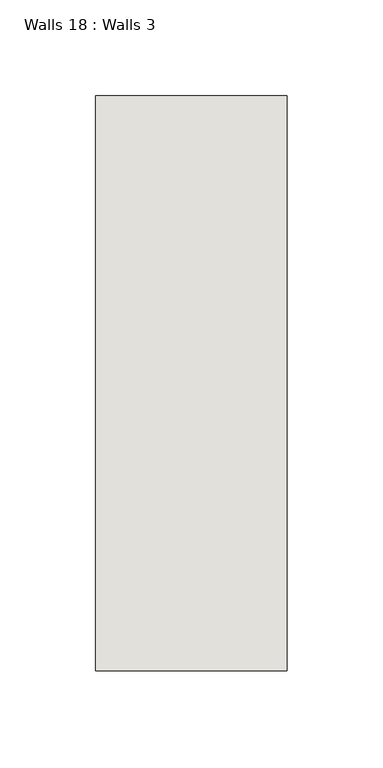
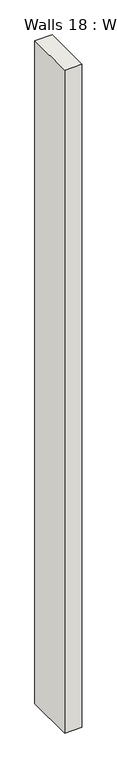
"""IFC4 building model written with IfcOpenShell, lengths in millimetres: wall geometry, Walls 18 : Walls 3."""

from ifc_helpers import new_model, si_unit, origin, origin_with_axes, place, context, project, spatial, polyline, outline, extrude, source, transform, mapped, element, save


def walls_18_walls_3_d040a104(model_context):
    return source(origin(), model_context, "Body", "SweptSolid", [
        extrude(outline(polyline([(-5612.3812655, 1518.41264), (-5612.3812655, 1818.41264), (-5512.3812655, 1818.41264), (-5512.3812655, 1518.41264), (-5612.3812655, 1518.41264)])), origin_with_axes(), (0.0, 0.0, 1.0), 4085.1192828),
    ])


if __name__ == "__main__":
    model = new_model("IFC4")
    model_context = context("Model", 3, world=origin())
    ifc_project = project(units=[si_unit("LENGTHUNIT", "METRE", prefix="MILLI")], contexts=[model_context])
    site = spatial("IfcSite", under=ifc_project)
    building = spatial("IfcBuilding", under=site)
    placement = place(None, origin())
    walls_18_walls_3_shape = walls_18_walls_3_d040a104(model_context)
    element("IfcWall", 1, ObjectType="Walls 18 : Walls 3", at=placement, inside=building, context=model_context, shape_type="MappedRepresentation", body=[
        mapped(walls_18_walls_3_shape, transform((0.0, 0.0, 0.0), x_axis=(1.0, 0.0, 0.0), y_axis=(0.0, 1.0, 0.0), z_axis=(0.0, 0.0, 1.0))),
    ])
    save(model, "model.ifc")
